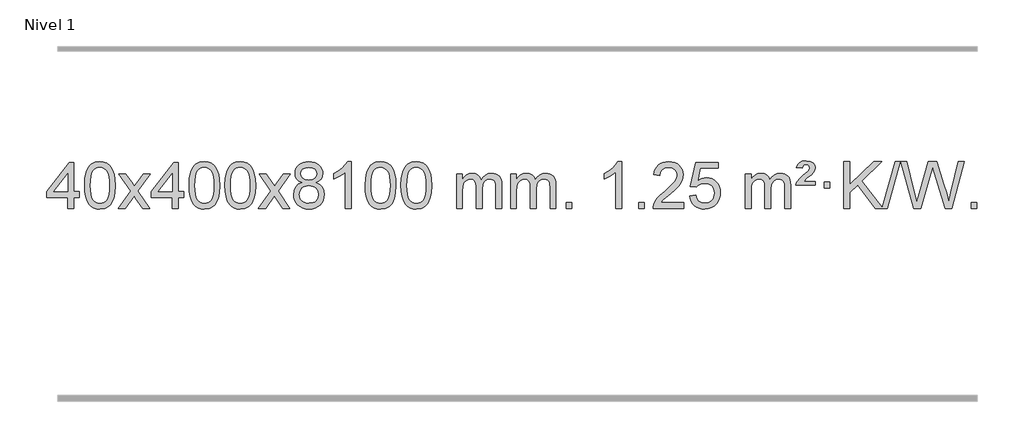
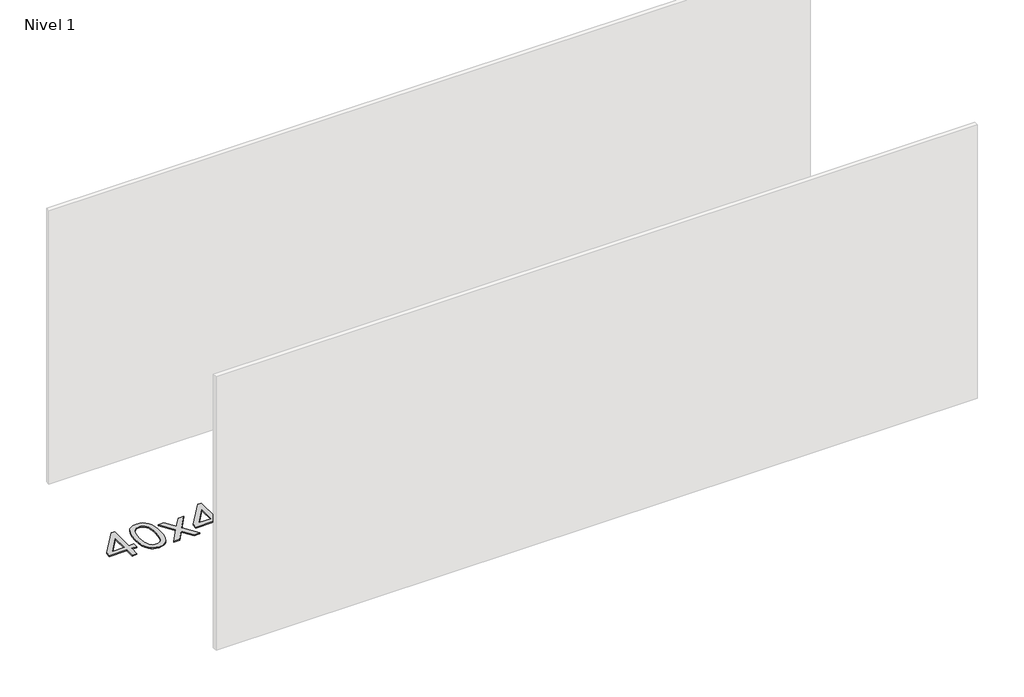
# One storey, part 9 of 10: 1 proxy.
"""IFC4 building model written with IfcOpenShell, lengths in millimetres."""

from ifc_helpers import new_model, si_unit, origin, origin_with_axes, place, context, project, spatial, polyline, outline, extrude, element, save

model = new_model("IFC4")

# Units and contexts
model_context = context("Model", 3, world=origin())
ifc_project = project(units=[si_unit("LENGTHUNIT", "METRE", prefix="MILLI")], contexts=[model_context])

# Site, building, storey
site = spatial("IfcSite", under=ifc_project)
building = spatial("IfcBuilding", under=site)
storey = spatial("IfcBuildingStorey", under=building, Name="Nivel 1", Elevation=0.0)

# Proxy
placement = place(None, origin())
element("IfcBuildingElementProxy", 1, Name="Texto de modelo 1", ObjectType="Texto de modelo 1", at=placement, inside=storey, context=model_context, shape_type="SweptSolid", body=[
    extrude(outline(polyline([(-12946.7519314, 2608.420547), (-12946.7519314, 2702.5983378), (-13128.8289935, 2702.5983378), (-13128.8289935, 2752.8264928), (-12934.1948926, 3003.9672682), (-12896.5237763, 3003.9672682), (-12896.5237763, 2752.8264928), (-12846.2956212, 2752.8264928), (-12846.2956212, 2702.5983378), (-12896.5237763, 2702.5983378), (-12896.5237763, 2608.420547), (-12946.7519314, 2608.420547)]), holes=[polyline([(-12946.7519314, 2752.8264928), (-12946.7519314, 2908.0236439), (-13067.0248183, 2752.8264928), (-12946.7519314, 2752.8264928)])]), origin_with_axes(), (0.0, 0.0, 1.0), 10.0),
    extrude(outline(polyline([(-12802.3459855, 2806.0958057), (-12798.6549029, 2870.4138412), (-12787.5816548, 2921.7088541), (-12769.236606, 2960.7656593), (-12757.378543, 2975.9990395), (-12743.730121, 2988.3690716), (-12728.2453547, 2997.9401349), (-12710.8782588, 3004.7766086), (-12670.4970785, 3010.2457876), (-12639.5459399, 3007.008426), (-12611.832163, 2997.2963414), (-12588.6555973, 2981.4896783), (-12571.3160926, 2959.9685816), (-12558.2194935, 2932.9169922), (-12547.7716449, 2900.5188512), (-12540.9290398, 2859.3773814), (-12538.6481714, 2806.0958057), (-12542.3024659, 2742.1456523), (-12553.2653493, 2690.9732667), (-12571.5000336, 2651.8796734), (-12583.3305054, 2636.6003078), (-12596.9697304, 2624.1658964), (-12612.4728908, 2614.5304538), (-12629.8951689, 2607.6479948), (-12670.4970785, 2602.1420276), (-12698.1618045, 2604.5332606), (-12722.6872709, 2611.7069595), (-12744.0734775, 2623.6631243), (-12762.3204245, 2640.4017551), (-12779.8316074, 2670.6600492), (-12792.3395953, 2708.3618224), (-12799.844388, 2753.5070745), (-12802.3459855, 2806.0958057)]), holes=[polyline([(-12752.1178305, 2806.1939076), (-12750.6463025, 2762.5293805), (-12746.2317185, 2727.1851178), (-12738.8740786, 2700.1611196), (-12728.5733828, 2681.4573858), (-12716.1144459, 2668.7317344), (-12702.2820829, 2659.6419835), (-12687.0762937, 2654.1881329), (-12670.4970785, 2652.3701827), (-12653.9178632, 2654.1942643), (-12638.7120741, 2659.6665089), (-12624.8797111, 2668.7869167), (-12612.4207742, 2681.5554876), (-12602.1200783, 2700.2898783), (-12594.7624384, 2727.3077451), (-12590.3478545, 2762.6090882), (-12588.8763265, 2806.1939076), (-12590.2988035, 2848.7026722), (-12594.5662347, 2883.4246011), (-12601.6786199, 2910.3596945), (-12611.6359592, 2929.5079524), (-12623.8864297, 2942.8559375), (-12637.8782082, 2952.3902125), (-12653.6112949, 2958.1107775), (-12671.0856897, 2960.0176325), (-12687.5790658, 2958.3376381), (-12702.5273375, 2953.2976548), (-12715.9305049, 2944.8976825), (-12727.7885679, 2933.1377214), (-12738.4326203, 2912.291075), (-12746.0355148, 2884.1848906), (-12750.5972516, 2848.8191681), (-12752.1178305, 2806.1939076)])]), origin_with_axes(), (0.0, 0.0, 1.0), 10.0),
    extrude(outline(polyline([(-12513.5340939, 2608.420547), (-12406.2106531, 2756.7505675), (-12507.2555745, 2903.5109581), (-12446.8248254, 2903.5109581), (-12398.0681983, 2832.877615), (-12375.3085655, 2799.5229808), (-12355.5900906, 2826.7952993), (-12300.0644348, 2903.5109581), (-12239.6336857, 2903.5109581), (-12345.7799041, 2756.7505675), (-12243.5577603, 2608.420547), (-12303.9885094, 2608.420547), (-12365.498379, 2697.5951426), (-12376.7800935, 2713.8800523), (-12453.1033448, 2608.420547), (-12513.5340939, 2608.420547)])), origin_with_axes(), (0.0, 0.0, 1.0), 10.0),
    extrude(outline(polyline([(-12048.9236594, 2608.420547), (-12048.9236594, 2702.5983378), (-12231.0007216, 2702.5983378), (-12231.0007216, 2752.8264928), (-12036.3666207, 3003.9672682), (-11998.6955043, 3003.9672682), (-11998.6955043, 2752.8264928), (-11948.4673493, 2752.8264928), (-11948.4673493, 2702.5983378), (-11998.6955043, 2702.5983378), (-11998.6955043, 2608.420547), (-12048.9236594, 2608.420547)]), holes=[polyline([(-12048.9236594, 2752.8264928), (-12048.9236594, 2908.0236439), (-12169.1965464, 2752.8264928), (-12048.9236594, 2752.8264928)])]), origin_with_axes(), (0.0, 0.0, 1.0), 10.0),
    extrude(outline(polyline([(-11904.5177136, 2806.0958057), (-11900.8266309, 2870.4138412), (-11889.7533828, 2921.7088541), (-11871.408334, 2960.7656593), (-11859.550271, 2975.9990395), (-11845.901849, 2988.3690716), (-11830.4170827, 2997.9401349), (-11813.0499869, 3004.7766086), (-11772.6688065, 3010.2457876), (-11741.717668, 3007.008426), (-11714.003891, 2997.2963414), (-11690.8273253, 2981.4896783), (-11673.4878206, 2959.9685816), (-11660.3912216, 2932.9169922), (-11649.9433729, 2900.5188512), (-11643.1007678, 2859.3773814), (-11640.8198994, 2806.0958057), (-11644.4741939, 2742.1456523), (-11655.4370774, 2690.9732667), (-11673.6717616, 2651.8796734), (-11685.5022334, 2636.6003078), (-11699.1414584, 2624.1658964), (-11714.6446188, 2614.5304538), (-11732.066897, 2607.6479948), (-11772.6688065, 2602.1420276), (-11800.3335326, 2604.5332606), (-11824.8589989, 2611.7069595), (-11846.2452055, 2623.6631243), (-11864.4921525, 2640.4017551), (-11882.0033355, 2670.6600492), (-11894.5113233, 2708.3618224), (-11902.016116, 2753.5070745), (-11904.5177136, 2806.0958057)]), holes=[polyline([(-11854.2895585, 2806.1939076), (-11852.8180305, 2762.5293805), (-11848.4034466, 2727.1851178), (-11841.0458067, 2700.1611196), (-11830.7451108, 2681.4573858), (-11818.2861739, 2668.7317344), (-11804.4538109, 2659.6419835), (-11789.2480218, 2654.1881329), (-11772.6688065, 2652.3701827), (-11756.0895913, 2654.1942643), (-11740.8838021, 2659.6665089), (-11727.0514391, 2668.7869167), (-11714.5925022, 2681.5554876), (-11704.2918063, 2700.2898783), (-11696.9341664, 2727.3077451), (-11692.5195825, 2762.6090882), (-11691.0480545, 2806.1939076), (-11692.4705316, 2848.7026722), (-11696.7379627, 2883.4246011), (-11703.8503479, 2910.3596945), (-11713.8076873, 2929.5079524), (-11726.0581577, 2942.8559375), (-11740.0499363, 2952.3902125), (-11755.7830229, 2958.1107775), (-11773.2574177, 2960.0176325), (-11789.7507938, 2958.3376381), (-11804.6990656, 2953.2976548), (-11818.1022329, 2944.8976825), (-11829.9602959, 2933.1377214), (-11840.6043483, 2912.291075), (-11848.2072429, 2884.1848906), (-11852.7689796, 2848.8191681), (-11854.2895585, 2806.1939076)])]), origin_with_axes(), (0.0, 0.0, 1.0), 10.0),
    extrude(outline(polyline([(-11596.8702638, 2806.0958057), (-11593.1791811, 2870.4138412), (-11582.105933, 2921.7088541), (-11563.7608842, 2960.7656593), (-11551.9028212, 2975.9990395), (-11538.2543992, 2988.3690716), (-11522.7696329, 2997.9401349), (-11505.402537, 3004.7766086), (-11465.0213567, 3010.2457876), (-11434.0702182, 3007.008426), (-11406.3564412, 2997.2963414), (-11383.1798755, 2981.4896783), (-11365.8403708, 2959.9685816), (-11352.7437718, 2932.9169922), (-11342.2959231, 2900.5188512), (-11335.453318, 2859.3773814), (-11333.1724496, 2806.0958057), (-11336.8267441, 2742.1456523), (-11347.7896275, 2690.9732667), (-11366.0243118, 2651.8796734), (-11377.8547836, 2636.6003078), (-11391.4940086, 2624.1658964), (-11406.997169, 2614.5304538), (-11424.4194471, 2607.6479948), (-11465.0213567, 2602.1420276), (-11492.6860827, 2604.5332606), (-11517.2115491, 2611.7069595), (-11538.5977557, 2623.6631243), (-11556.8447027, 2640.4017551), (-11574.3558856, 2670.6600492), (-11586.8638735, 2708.3618224), (-11594.3686662, 2753.5070745), (-11596.8702638, 2806.0958057)]), holes=[polyline([(-11546.6421087, 2806.1939076), (-11545.1705807, 2762.5293805), (-11540.7559968, 2727.1851178), (-11533.3983568, 2700.1611196), (-11523.097661, 2681.4573858), (-11510.6387241, 2668.7317344), (-11496.8063611, 2659.6419835), (-11481.6005719, 2654.1881329), (-11465.0213567, 2652.3701827), (-11448.4421414, 2654.1942643), (-11433.2363523, 2659.6665089), (-11419.4039893, 2668.7869167), (-11406.9450524, 2681.5554876), (-11396.6443565, 2700.2898783), (-11389.2867166, 2727.3077451), (-11384.8721327, 2762.6090882), (-11383.4006047, 2806.1939076), (-11384.8230817, 2848.7026722), (-11389.0905129, 2883.4246011), (-11396.2028981, 2910.3596945), (-11406.1602375, 2929.5079524), (-11418.4107079, 2942.8559375), (-11432.4024864, 2952.3902125), (-11448.1355731, 2958.1107775), (-11465.6099679, 2960.0176325), (-11482.103344, 2958.3376381), (-11497.0516157, 2953.2976548), (-11510.4547831, 2944.8976825), (-11522.3128461, 2933.1377214), (-11532.9568985, 2912.291075), (-11540.559793, 2884.1848906), (-11545.1215298, 2848.8191681), (-11546.6421087, 2806.1939076)])]), origin_with_axes(), (0.0, 0.0, 1.0), 10.0),
    extrude(outline(polyline([(-11308.0583721, 2608.420547), (-11200.7349313, 2756.7505675), (-11301.7798527, 2903.5109581), (-11241.3491036, 2903.5109581), (-11192.5924765, 2832.877615), (-11169.8328437, 2799.5229808), (-11150.1143688, 2826.7952993), (-11094.588713, 2903.5109581), (-11034.1579639, 2903.5109581), (-11140.3041823, 2756.7505675), (-11038.0820385, 2608.420547), (-11098.5127876, 2608.420547), (-11160.0226572, 2697.5951426), (-11171.3043717, 2713.8800523), (-11247.627623, 2608.420547), (-11308.0583721, 2608.420547)])), origin_with_axes(), (0.0, 0.0, 1.0), 10.0),
    extrude(outline(polyline([(-10933.50545, 2829.7383553), (-10960.3976239, 2842.9821071), (-10979.2699702, 2860.9347485), (-10990.4167947, 2883.2283974), (-10994.1324029, 2909.4951719), (-10992.1090519, 2929.9800676), (-10986.038999, 2948.7604435), (-10975.9222441, 2965.8362994), (-10961.7587873, 2981.2076355), (-10944.2292102, 2993.911827), (-10924.0140946, 3002.9862496), (-10901.1134404, 3008.4309031), (-10875.5272476, 3010.2457876), (-10849.8184275, 3008.3879835), (-10826.746095, 3002.8145713), (-10806.3102502, 2993.5255509), (-10788.510893, 2980.5209224), (-10774.0899188, 2964.8491494), (-10763.7892229, 2947.5586956), (-10757.6088054, 2928.6495611), (-10755.5486662, 2908.1217457), (-10759.2152235, 2882.7010999), (-10770.2148951, 2860.7875957), (-10788.6703085, 2842.9453189), (-10814.7040911, 2829.7383553), (-10783.7897407, 2813.8090649), (-10761.2876254, 2790.3504564), (-10747.565627, 2760.4907011), (-10742.9916275, 2725.3579705), (-10745.2602331, 2700.3052067), (-10752.06605, 2677.3371074), (-10763.4090782, 2656.4536728), (-10779.2893177, 2637.6549029), (-10798.8729025, 2622.11802), (-10821.325967, 2611.0202464), (-10846.648511, 2604.3615823), (-10874.8405346, 2602.1420276), (-10903.0325581, 2604.3707794), (-10928.3551021, 2611.0570346), (-10950.8081666, 2622.2007934), (-10970.3917514, 2637.8020557), (-10986.2719909, 2656.73265), (-10997.6150191, 2677.864405), (-11004.420836, 2701.1973205), (-11006.6894416, 2726.7313967), (-11001.9315012, 2763.2252906), (-10987.6576797, 2793.2444614), (-10964.6037414, 2815.7588395), (-10933.50545, 2829.7383553)]), holes=[polyline([(-10956.4612865, 2728.4972302), (-10954.3643592, 2709.2815274), (-10948.0735771, 2690.6789611), (-10936.4607687, 2674.4553651), (-10918.3977628, 2662.376573), (-10896.7663015, 2654.8717803), (-10874.4481271, 2652.3701827), (-10840.259627, 2657.6308952), (-10826.3659503, 2664.2067859), (-10814.6059892, 2673.4130328), (-10798.5663342, 2697.3130998), (-10793.2197826, 2726.9276004), (-10798.7380125, 2757.0448731), (-10815.2927023, 2781.4722375), (-10827.3714944, 2790.9145421), (-10841.5349513, 2797.6590453), (-10876.1158588, 2803.0546479), (-10909.8261123, 2797.7326217), (-10923.5634391, 2791.080089), (-10935.2222327, 2781.7665431), (-10951.1515231, 2757.8051625), (-10956.4612865, 2728.4972302)]), polyline([(-10943.9042478, 2908.0236439), (-10939.4528756, 2886.097877), (-10926.0987592, 2868.586694), (-10904.234306, 2857.1087757), (-10874.2519234, 2853.282803), (-10844.9685165, 2857.0842503), (-10823.4351571, 2868.4885921), (-10810.1914053, 2885.4111639), (-10805.7768213, 2905.767301), (-10810.3385581, 2926.8959902), (-10824.0237683, 2944.370385), (-10845.8514333, 2956.1058206), (-10874.8405346, 2960.0176325), (-10904.0135768, 2956.1916598), (-10925.8044536, 2944.7137415), (-10939.3792992, 2927.8892716), (-10943.9042478, 2908.0236439)])]), origin_with_axes(), (0.0, 0.0, 1.0), 10.0),
    extrude(outline(polyline([(-10510.6864103, 2608.420547), (-10560.9145653, 2608.420547), (-10560.9145653, 2921.5617013), (-10581.8838391, 2904.6023413), (-10608.49397, 2887.6675068), (-10661.3708755, 2862.3081746), (-10661.3708755, 2909.7894775), (-10621.9216629, 2931.2492605), (-10587.7454255, 2956.780271), (-10560.8042007, 2983.9299622), (-10543.0600258, 3010.2457876), (-10510.6864103, 3010.2457876), (-10510.6864103, 2608.420547)])), origin_with_axes(), (0.0, 0.0, 1.0), 10.0),
    extrude(outline(polyline([(-10391.394542, 2806.0958057), (-10387.7034593, 2870.4138412), (-10376.6302112, 2921.7088541), (-10358.2851624, 2960.7656593), (-10346.4270994, 2975.9990395), (-10332.7786774, 2988.3690716), (-10317.2939111, 2997.9401349), (-10299.9268152, 3004.7766086), (-10259.5456349, 3010.2457876), (-10228.5944964, 3007.008426), (-10200.8807194, 2997.2963414), (-10177.7041537, 2981.4896783), (-10160.364649, 2959.9685816), (-10147.26805, 2932.9169922), (-10136.8202013, 2900.5188512), (-10129.9775962, 2859.3773814), (-10127.6967278, 2806.0958057), (-10131.3510223, 2742.1456523), (-10142.3139058, 2690.9732667), (-10160.54859, 2651.8796734), (-10172.3790618, 2636.6003078), (-10186.0182868, 2624.1658964), (-10201.5214472, 2614.5304538), (-10218.9437253, 2607.6479948), (-10259.5456349, 2602.1420276), (-10287.2103609, 2604.5332606), (-10311.7358273, 2611.7069595), (-10333.1220339, 2623.6631243), (-10351.3689809, 2640.4017551), (-10368.8801639, 2670.6600492), (-10381.3881517, 2708.3618224), (-10388.8929444, 2753.5070745), (-10391.394542, 2806.0958057)]), holes=[polyline([(-10341.1663869, 2806.1939076), (-10339.6948589, 2762.5293805), (-10335.280275, 2727.1851178), (-10327.9226351, 2700.1611196), (-10317.6219392, 2681.4573858), (-10305.1630023, 2668.7317344), (-10291.3306393, 2659.6419835), (-10276.1248501, 2654.1881329), (-10259.5456349, 2652.3701827), (-10242.9664196, 2654.1942643), (-10227.7606305, 2659.6665089), (-10213.9282675, 2668.7869167), (-10201.4693306, 2681.5554876), (-10191.1686347, 2700.2898783), (-10183.8109948, 2727.3077451), (-10179.3964109, 2762.6090882), (-10177.9248829, 2806.1939076), (-10179.3473599, 2848.7026722), (-10183.6147911, 2883.4246011), (-10190.7271763, 2910.3596945), (-10200.6845157, 2929.5079524), (-10212.9349861, 2942.8559375), (-10226.9267646, 2952.3902125), (-10242.6598513, 2958.1107775), (-10260.1342461, 2960.0176325), (-10276.6276222, 2958.3376381), (-10291.5758939, 2953.2976548), (-10304.9790613, 2944.8976825), (-10316.8371243, 2933.1377214), (-10327.4811767, 2912.291075), (-10335.0840712, 2884.1848906), (-10339.645808, 2848.8191681), (-10341.1663869, 2806.1939076)])]), origin_with_axes(), (0.0, 0.0, 1.0), 10.0),
    extrude(outline(polyline([(-10083.7470921, 2806.0958057), (-10080.0560094, 2870.4138412), (-10068.9827614, 2921.7088541), (-10050.6377126, 2960.7656593), (-10038.7796496, 2975.9990395), (-10025.1312276, 2988.3690716), (-10009.6464612, 2997.9401349), (-9992.2793654, 3004.7766086), (-9951.8981851, 3010.2457876), (-9920.9470465, 3007.008426), (-9893.2332696, 2997.2963414), (-9870.0567039, 2981.4896783), (-9852.7171992, 2959.9685816), (-9839.6206001, 2932.9169922), (-9829.1727515, 2900.5188512), (-9822.3301463, 2859.3773814), (-9820.049278, 2806.0958057), (-9823.7035725, 2742.1456523), (-9834.6664559, 2690.9732667), (-9852.9011401, 2651.8796734), (-9864.731612, 2636.6003078), (-9878.3708369, 2624.1658964), (-9893.8739974, 2614.5304538), (-9911.2962755, 2607.6479948), (-9951.8981851, 2602.1420276), (-9979.5629111, 2604.5332606), (-10004.0883774, 2611.7069595), (-10025.4745841, 2623.6631243), (-10043.721531, 2640.4017551), (-10061.232714, 2670.6600492), (-10073.7407019, 2708.3618224), (-10081.2454946, 2753.5070745), (-10083.7470921, 2806.0958057)]), holes=[polyline([(-10033.518937, 2806.1939076), (-10032.0474091, 2762.5293805), (-10027.6328251, 2727.1851178), (-10020.2751852, 2700.1611196), (-10009.9744894, 2681.4573858), (-9997.5155525, 2668.7317344), (-9983.6831894, 2659.6419835), (-9968.4774003, 2654.1881329), (-9951.8981851, 2652.3701827), (-9935.3189698, 2654.1942643), (-9920.1131807, 2659.6665089), (-9906.2808176, 2668.7869167), (-9893.8218807, 2681.5554876), (-9883.5211849, 2700.2898783), (-9876.163545, 2727.3077451), (-9871.748961, 2762.6090882), (-9870.2774331, 2806.1939076), (-9871.6999101, 2848.7026722), (-9875.9673412, 2883.4246011), (-9883.0797265, 2910.3596945), (-9893.0370658, 2929.5079524), (-9905.2875363, 2942.8559375), (-9919.2793148, 2952.3902125), (-9935.0124015, 2958.1107775), (-9952.4867962, 2960.0176325), (-9968.9801724, 2958.3376381), (-9983.9284441, 2953.2976548), (-9997.3316115, 2944.8976825), (-10009.1896744, 2933.1377214), (-10019.8337268, 2912.291075), (-10027.4366214, 2884.1848906), (-10031.9983581, 2848.8191681), (-10033.518937, 2806.1939076)])]), origin_with_axes(), (0.0, 0.0, 1.0), 10.0),
    extrude(outline(polyline([(-9606.5796189, 2608.420547), (-9606.5796189, 2903.5109581), (-9556.3514638, 2903.5109581), (-9556.3514638, 2854.9505347), (-9541.2437766, 2877.2564463), (-9521.8196072, 2894.7308411), (-9498.7411434, 2906.0248184), (-9472.6705727, 2909.7894775), (-9444.7360665, 2905.951242), (-9422.3443157, 2894.4365355), (-9405.6179477, 2876.0056476), (-9394.6795897, 2851.4188676), (-9376.3713291, 2876.9560094), (-9355.4878945, 2895.196825), (-9332.0292859, 2906.1413143), (-9305.9955034, 2909.7894775), (-9285.8876867, 2908.2719642), (-9268.2385479, 2903.7194245), (-9253.0480872, 2896.1318584), (-9240.3163045, 2885.5092658), (-9230.2516663, 2871.7290194), (-9223.0626389, 2854.6684918), (-9218.7492225, 2834.3276832), (-9217.3114171, 2810.7065934), (-9217.3114171, 2608.420547), (-9267.5395722, 2608.420547), (-9267.5395722, 2789.124183), (-9268.7045318, 2814.1769469), (-9272.1994108, 2831.0627305), (-9278.7477103, 2842.6264879), (-9289.0729316, 2851.7131732), (-9302.3534716, 2857.5992851), (-9317.7677272, 2859.5613224), (-9344.9787321, 2854.5336018), (-9367.1620165, 2839.45044), (-9375.7673895, 2827.8805512), (-9381.9140845, 2813.2817674), (-9386.8314405, 2774.9975144), (-9386.8314405, 2608.420547), (-9437.0595955, 2608.420547), (-9437.0595955, 2794.7159894), (-9439.9658633, 2823.1164794), (-9448.6846666, 2843.3745146), (-9464.0253458, 2855.5146204), (-9486.7972413, 2859.5613224), (-9506.1478342, 2856.8635211), (-9523.9778483, 2848.7701172), (-9538.6931281, 2835.4773144), (-9548.6995183, 2817.1813165), (-9554.4384775, 2791.7974589), (-9556.3514638, 2757.2410768), (-9556.3514638, 2608.420547), (-9606.5796189, 2608.420547)])), origin_with_axes(), (0.0, 0.0, 1.0), 10.0),
    extrude(outline(polyline([(-9141.9691845, 2608.420547), (-9141.9691845, 2903.5109581), (-9091.7410294, 2903.5109581), (-9091.7410294, 2854.9505347), (-9076.6333421, 2877.2564463), (-9057.2091728, 2894.7308411), (-9034.130709, 2906.0248184), (-9008.0601382, 2909.7894775), (-8980.1256321, 2905.951242), (-8957.7338813, 2894.4365355), (-8941.0075132, 2876.0056476), (-8930.0691552, 2851.4188676), (-8911.7608946, 2876.9560094), (-8890.87746, 2895.196825), (-8867.4188515, 2906.1413143), (-8841.3850689, 2909.7894775), (-8821.2772522, 2908.2719642), (-8803.6281135, 2903.7194245), (-8788.4376528, 2896.1318584), (-8775.7058701, 2885.5092658), (-8765.6412318, 2871.7290194), (-8758.4522045, 2854.6684918), (-8754.1387881, 2834.3276832), (-8752.7009826, 2810.7065934), (-8752.7009826, 2608.420547), (-8802.9291377, 2608.420547), (-8802.9291377, 2789.124183), (-8804.0940974, 2814.1769469), (-8807.5889763, 2831.0627305), (-8814.1372758, 2842.6264879), (-8824.4624972, 2851.7131732), (-8837.7430372, 2857.5992851), (-8853.1572928, 2859.5613224), (-8880.3682977, 2854.5336018), (-8902.551582, 2839.45044), (-8911.156955, 2827.8805512), (-8917.30365, 2813.2817674), (-8922.221006, 2774.9975144), (-8922.221006, 2608.420547), (-8972.4491611, 2608.420547), (-8972.4491611, 2794.7159894), (-8975.3554289, 2823.1164794), (-8984.0742321, 2843.3745146), (-8999.4149113, 2855.5146204), (-9022.1868068, 2859.5613224), (-9041.5373998, 2856.8635211), (-9059.3674138, 2848.7701172), (-9074.0826936, 2835.4773144), (-9084.0890839, 2817.1813165), (-9089.828043, 2791.7974589), (-9091.7410294, 2757.2410768), (-9091.7410294, 2608.420547), (-9141.9691845, 2608.420547)])), origin_with_axes(), (0.0, 0.0, 1.0), 10.0),
    extrude(outline(polyline([(-8664.8017113, 2608.420547), (-8664.8017113, 2658.6487021), (-8614.5735562, 2658.6487021), (-8614.5735562, 2608.420547), (-8664.8017113, 2608.420547)])), origin_with_axes(), (0.0, 0.0, 1.0), 10.0),
    extrude(outline(polyline([(-8187.634238, 2608.420547), (-8237.8623931, 2608.420547), (-8237.8623931, 2921.5617013), (-8258.8316668, 2904.6023413), (-8285.4417978, 2887.6675068), (-8338.3187033, 2862.3081746), (-8338.3187033, 2909.7894775), (-8298.8694907, 2931.2492605), (-8264.6932533, 2956.780271), (-8237.7520285, 2983.9299622), (-8220.0078536, 3010.2457876), (-8187.634238, 3010.2457876), (-8187.634238, 2608.420547)])), origin_with_axes(), (0.0, 0.0, 1.0), 10.0),
    extrude(outline(polyline([(-8043.2282922, 2608.420547), (-8043.2282922, 2658.6487021), (-7993.0001371, 2658.6487021), (-7993.0001371, 2608.420547), (-8043.2282922, 2608.420547)])), origin_with_axes(), (0.0, 0.0, 1.0), 10.0),
    extrude(outline(polyline([(-7653.9600904, 2658.6487021), (-7653.9600904, 2608.420547), (-7917.6579045, 2608.420547), (-7916.5542585, 2626.1034082), (-7912.2623019, 2643.0505055), (-7899.8769414, 2670.1143576), (-7881.7526218, 2696.3688693), (-7855.5348983, 2723.8496544), (-7818.8693261, 2754.5923264), (-7764.6680455, 2802.7358169), (-7732.1472771, 2838.2732176), (-7715.8868929, 2867.115166), (-7710.4667648, 2895.1722995), (-7715.5803246, 2920.3231653), (-7730.9210038, 2941.2311253), (-7754.5022397, 2955.3210057), (-7784.3374695, 2960.0176325), (-7815.6687527, 2955.4313703), (-7840.0102781, 2941.6725837), (-7855.7188393, 2919.8203932), (-7861.1512301, 2890.9539193), (-7911.3793851, 2897.2324387), (-7907.0598374, 2923.161988), (-7899.2024911, 2945.8173875), (-7887.8073463, 2965.1986373), (-7872.874403, 2981.3057373), (-7854.7470177, 2993.9670093), (-7833.7685469, 3003.010775), (-7809.9389907, 3008.4370345), (-7783.258349, 3010.2457876), (-7756.338584, 3008.2346994), (-7732.380269, 3002.2014346), (-7711.3834041, 2992.1459934), (-7693.3479893, 2978.0683758), (-7678.8626358, 2961.0109139), (-7668.5159547, 2942.0159402), (-7662.307946, 2921.0834547), (-7660.2386098, 2898.2134573), (-7662.4704272, 2874.1907631), (-7669.1658795, 2850.5850017), (-7681.048468, 2826.5745701), (-7698.8416938, 2801.3378653), (-7727.2053956, 2771.2083299), (-7770.799412, 2732.5194067), (-7828.5814108, 2684.204238), (-7851.2429417, 2658.6487021), (-7653.9600904, 2658.6487021)])), origin_with_axes(), (0.0, 0.0, 1.0), 10.0),
    extrude(outline(polyline([(-7603.7319353, 2715.1553765), (-7553.5037802, 2721.4338959), (-7544.2822049, 2691.2798351), (-7528.193499, 2669.6851619), (-7505.3112389, 2656.6989275), (-7475.709001, 2652.3701827), (-7456.5791372, 2653.8754332), (-7439.7056164, 2658.3911847), (-7425.0884384, 2665.9174372), (-7412.7276034, 2676.4541906), (-7402.8990228, 2689.480279), (-7395.878608, 2704.4745359), (-7390.2622762, 2740.3675559), (-7395.5229888, 2774.1636486), (-7402.0988794, 2788.0818507), (-7411.3051264, 2800.0134901), (-7423.1723864, 2809.5845533), (-7437.7313163, 2816.4210271), (-7474.9241861, 2821.8902061), (-7499.2902369, 2819.7074396), (-7519.0209745, 2813.1591401), (-7534.7785867, 2803.1282243), (-7547.2252608, 2790.4976092), (-7597.4534159, 2796.7761285), (-7553.5037802, 3003.9672682), (-7358.8696793, 3003.9672682), (-7358.8696793, 2953.7391131), (-7512.889608, 2953.7391131), (-7534.3739165, 2843.080209), (-7516.6481357, 2855.7844006), (-7498.4931592, 2864.8588231), (-7479.9089871, 2870.3034766), (-7460.8956193, 2872.1183612), (-7436.4345323, 2869.8681496), (-7413.9661395, 2863.117515), (-7393.4904407, 2851.8664573), (-7375.0074362, 2836.1149766), (-7359.7066109, 2816.8256973), (-7348.7774499, 2794.961244), (-7342.2199533, 2770.5216168), (-7340.0341212, 2743.5068156), (-7342.0022898, 2717.4852958), (-7347.9067959, 2693.2786606), (-7357.7476392, 2670.8869098), (-7371.5248199, 2650.3100435), (-7392.3959918, 2629.2365366), (-7416.7497799, 2614.1840316), (-7444.5861842, 2605.1525286), (-7475.9052047, 2602.1420276), (-7501.825557, 2604.0764738), (-7525.2381803, 2609.8798123), (-7546.1430746, 2619.552043), (-7564.5402401, 2633.0931662), (-7579.8471968, 2649.8287312), (-7591.4814649, 2669.084288), (-7599.4430444, 2690.8598364), (-7603.7319353, 2715.1553765)])), origin_with_axes(), (0.0, 0.0, 1.0), 10.0),
    extrude(outline(polyline([(-7126.5644621, 2608.420547), (-7126.5644621, 2903.5109581), (-7076.336307, 2903.5109581), (-7076.336307, 2854.9505347), (-7061.2286197, 2877.2564463), (-7041.8044504, 2894.7308411), (-7018.7259866, 2906.0248184), (-6992.6554158, 2909.7894775), (-6964.7209097, 2905.951242), (-6942.3291589, 2894.4365355), (-6925.6027909, 2876.0056476), (-6914.6644329, 2851.4188676), (-6896.3561722, 2876.9560094), (-6875.4727377, 2895.196825), (-6852.0141291, 2906.1413143), (-6825.9803466, 2909.7894775), (-6805.8725298, 2908.2719642), (-6788.2233911, 2903.7194245), (-6773.0329304, 2896.1318584), (-6760.3011477, 2885.5092658), (-6750.2365094, 2871.7290194), (-6743.0474821, 2854.6684918), (-6738.7340657, 2834.3276832), (-6737.2962603, 2810.7065934), (-6737.2962603, 2608.420547), (-6787.5244153, 2608.420547), (-6787.5244153, 2789.124183), (-6788.689375, 2814.1769469), (-6792.1842539, 2831.0627305), (-6798.7325535, 2842.6264879), (-6809.0577748, 2851.7131732), (-6822.3383148, 2857.5992851), (-6837.7525704, 2859.5613224), (-6864.9635753, 2854.5336018), (-6887.1468596, 2839.45044), (-6895.7522326, 2827.8805512), (-6901.8989276, 2813.2817674), (-6906.8162836, 2774.9975144), (-6906.8162836, 2608.420547), (-6957.0444387, 2608.420547), (-6957.0444387, 2794.7159894), (-6959.9507065, 2823.1164794), (-6968.6695098, 2843.3745146), (-6984.010189, 2855.5146204), (-7006.7820845, 2859.5613224), (-7026.1326774, 2856.8635211), (-7043.9626914, 2848.7701172), (-7058.6779713, 2835.4773144), (-7068.6843615, 2817.1813165), (-7074.4233206, 2791.7974589), (-7076.336307, 2757.2410768), (-7076.336307, 2608.420547), (-7126.5644621, 2608.420547)])), origin_with_axes(), (0.0, 0.0, 1.0), 10.0),
    extrude(outline(polyline([(-6693.3466246, 2809.3331673), (-6689.5206518, 2825.1520931), (-6681.1819933, 2841.0200698), (-6659.6731593, 2866.1586728), (-6627.7164766, 2893.8969753), (-6583.5706372, 2931.273786), (-6576.4337265, 2942.8007552), (-6574.0547563, 2954.6220299), (-6575.9432172, 2966.7130848), (-6581.6085999, 2976.4987459), (-6590.977328, 2982.973469), (-6603.9758252, 2985.1317101), (-6616.4102366, 2983.5130293), (-6625.26393, 2978.656987), (-6631.6896022, 2969.1901569), (-6636.8399501, 2953.7391131), (-6687.0681052, 2960.0176325), (-6676.2278491, 2985.2298119), (-6659.5995829, 3002.7900458), (-6635.834406, 3013.0907417), (-6603.5834178, 3016.524307), (-6567.8007624, 3012.3917659), (-6543.0545668, 2999.9941427), (-6528.6335926, 2981.6613566), (-6523.8266012, 2959.7233269), (-6527.9223541, 2936.8165414), (-6540.2096127, 2915.1850801), (-6560.737428, 2895.3685032), (-6597.2067965, 2867.3113697), (-6622.8113834, 2840.7257642), (-6523.8266012, 2840.7257642), (-6523.8266012, 2809.3331673), (-6693.3466246, 2809.3331673)])), origin_with_axes(), (0.0, 0.0, 1.0), 10.0),
    extrude(outline(polyline([(-6448.4843686, 2784.2190898), (-6448.4843686, 2834.4472448), (-6398.2562135, 2834.4472448), (-6398.2562135, 2784.2190898), (-6448.4843686, 2784.2190898)])), origin_with_axes(), (0.0, 0.0, 1.0), 10.0),
    extrude(outline(polyline([(-6007.6145856, 2608.420547), (-6161.045903, 2811.0990009), (-6228.7361901, 2746.5479735), (-6228.7361901, 2608.420547), (-6278.9643452, 2608.420547), (-6278.9643452, 3010.2457876), (-6228.7361901, 3010.2457876), (-6228.7361901, 2813.5515475), (-6022.7222728, 3010.2457876), (-5952.4813372, 3010.2457876), (-6125.4349259, 2845.0422463), (-5950.781316, 2614.4650668), (-5839.4679883, 3010.2457876), (-5794.1449265, 3010.2457876), (-5907.1582754, 2608.420547), (-5946.2028178, 2608.420547), (-5952.4813372, 2608.420547), (-6007.6145856, 2608.420547)])), origin_with_axes(), (0.0, 0.0, 1.0), 10.0),
    extrude(outline(polyline([(-5679.6600496, 2608.420547), (-5789.2398332, 3010.2457876), (-5737.4420483, 3010.2457876), (-5673.8720395, 2746.155566), (-5654.2516665, 2664.6329159), (-5633.2578673, 2736.7377869), (-5553.5991526, 3010.2457876), (-5478.943633, 3010.2457876), (-5421.0635325, 2811.9819177), (-5396.268286, 2738.4055186), (-5377.9968136, 2664.6329159), (-5358.9650517, 2743.8011212), (-5294.8064317, 3010.2457876), (-5243.0086468, 3010.2457876), (-5352.6865323, 2608.420547), (-5406.3482526, 2608.420547), (-5502.6842845, 2918.4224416), (-5516.12424, 2961.6853642), (-5531.2319273, 2909.5932737), (-5619.0330968, 2608.420547), (-5679.6600496, 2608.420547)])), origin_with_axes(), (0.0, 0.0, 1.0), 10.0),
    extrude(outline(polyline([(-5186.5019723, 2608.420547), (-5186.5019723, 2658.6487021), (-5136.2738173, 2658.6487021), (-5136.2738173, 2608.420547), (-5186.5019723, 2608.420547)])), origin_with_axes(), (0.0, 0.0, 1.0), 10.0),
])

save(model, "model.ifc")
